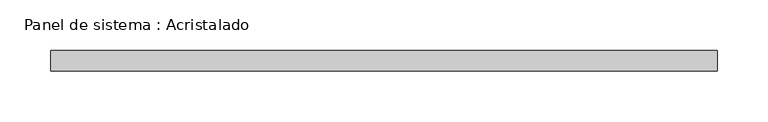
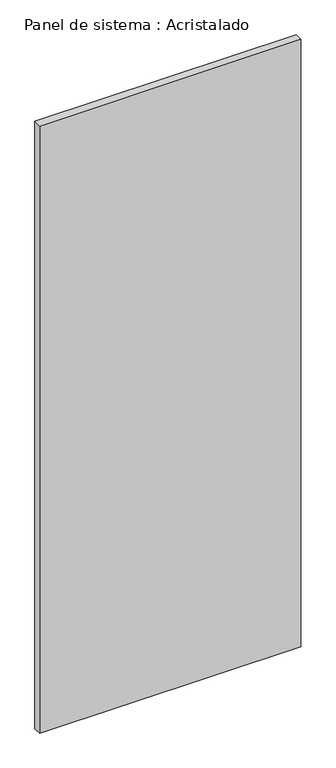
"""IFC4 building model written with IfcOpenShell, lengths in millimetres: plate geometry, Panel de sistema : Acristalado."""

import ifcopenshell
import ifcopenshell.guid

model = None  # the IFC model being written
_history = None  # IfcOwnerHistory: only IFC2X3 demands one
_inside = {}  # id of a spatial element -> (the spatial element, [elements in it])
_under = {}  # id of a project, library or spatial element -> (it, [spatial elements below it])
_declared = {}  # id of a project -> (the project, [libraries it declares])
_typed = {}  # id of a type object -> (the type object, [elements of that type])
_made_of = {}  # id of a material, layer set ... -> (it, [elements and type objects made of it])


def new_model(schema):
    """Start an empty IFC model of exactly this schema.

    Asked for "IFC4X3", IfcOpenShell would pick the latest addendum, in which some entities
    have other attributes; the version numbers below select the first issue.
    IFC2X3 requires an IfcOwnerHistory on every rooted entity: one is made here for all.
    """
    global model, _history
    if schema == "IFC4X3":
        model = ifcopenshell.file(schema_version=(4, 3, 0, 0))
    else:
        model = ifcopenshell.file(schema=schema)
    _inside.clear()
    _under.clear()
    _declared.clear()
    _typed.clear()
    _made_of.clear()
    _history = None
    if model.schema == "IFC2X3":
        org = make("IfcOrganization", Name="unknown")
        user = make(
            "IfcPersonAndOrganization",
            ThePerson=make("IfcPerson", FamilyName="unknown"),
            TheOrganization=org,
        )
        app = make(
            "IfcApplication",
            ApplicationDeveloper=org,
            Version="unknown",
            ApplicationFullName="unknown",
            ApplicationIdentifier="unknown",
        )
        _history = make(
            "IfcOwnerHistory",
            OwningUser=user,
            OwningApplication=app,
            ChangeAction="ADDED",
            CreationDate=0,
        )
    return model


def make(cls, **values):
    """One entity of the class cls with the attributes given. An attribute that is None is left unset."""
    return model.create_entity(
        cls, **{name: value for name, value in values.items() if value is not None}
    )


def rooted(cls, **values):
    """An entity with a GlobalId (a new one), such as an element, a storey or a relation."""
    return make(cls, GlobalId=ifcopenshell.guid.new(), OwnerHistory=_history, **values)


def si_unit(unit_type, name, prefix=None):
    """IfcSIUnit, for example si_unit("LENGTHUNIT", "METRE", prefix="MILLI")."""
    return make("IfcSIUnit", UnitType=unit_type, Prefix=prefix, Name=name)


def assignment(units):
    """IfcUnitAssignment: the units of a project."""
    return None if units is None else make("IfcUnitAssignment", Units=units)


def point(xyz):
    """IfcCartesianPoint."""
    return None if xyz is None else make("IfcCartesianPoint", Coordinates=xyz)


def direction(xyz):
    """IfcDirection."""
    return None if xyz is None else make("IfcDirection", DirectionRatios=xyz)


def frame(location, z_axis=None, x_axis=None):
    """IfcAxis2Placement3D, a coordinate frame: its origin and axes. An axis left out is left unset."""
    return make(
        "IfcAxis2Placement3D",
        Location=point(location),
        Axis=direction(z_axis),
        RefDirection=direction(x_axis),
    )


def origin():
    """The frame at (0, 0, 0) with its axes left unset."""
    return frame((0.0, 0.0, 0.0))


def origin_with_axes():
    """The frame at (0, 0, 0) with the z axis (0, 0, 1) and the x axis (1, 0, 0) written out."""
    return frame((0.0, 0.0, 0.0), z_axis=(0.0, 0.0, 1.0), x_axis=(1.0, 0.0, 0.0))


def place(relative_to, where):
    """IfcLocalPlacement: puts the frame where relative to a parent placement (None: the world)."""
    return make(
        "IfcLocalPlacement", PlacementRelTo=relative_to, RelativePlacement=where
    )


def context(
    kind, dimensions, precision=None, world=None, true_north=None, identifier=None
):
    """IfcGeometricRepresentationContext, for example the 3D "Model" context."""
    return make(
        "IfcGeometricRepresentationContext",
        ContextIdentifier=identifier,
        ContextType=kind,
        CoordinateSpaceDimension=dimensions,
        Precision=precision,
        WorldCoordinateSystem=world,
        TrueNorth=true_north,
    )


def project(units=None, contexts=None):
    """IfcProject with its units and contexts."""
    return rooted(
        "IfcProject",
        Name="project",
        RepresentationContexts=contexts,
        UnitsInContext=assignment(units),
    )


def spatial(cls, under=None, at=None, **own):
    """A site, building, storey or space (cls), placed at a placement, below another one or the project."""
    s = rooted(cls, ObjectPlacement=at, **own)
    if under is not None:
        _under.setdefault(under.id(), (under, []))[1].append(s)
    return s


def polyline(points):
    """IfcPolyline through the points."""
    return make("IfcPolyline", Points=[point(p) for p in points])


def outline(outer, holes=None, kind="AREA"):
    """IfcArbitraryClosedProfileDef: a profile drawn as a closed curve; with holes, ...WithVoids."""
    if holes is None:
        return make("IfcArbitraryClosedProfileDef", ProfileType=kind, OuterCurve=outer)
    return make(
        "IfcArbitraryProfileDefWithVoids",
        ProfileType=kind,
        OuterCurve=outer,
        InnerCurves=holes,
    )


def extrude(swept, where, along, depth):
    """IfcExtrudedAreaSolid: the profile swept, set in the frame where, extruded along a direction by depth."""
    return make(
        "IfcExtrudedAreaSolid",
        SweptArea=swept,
        Position=where,
        ExtrudedDirection=direction(along),
        Depth=depth,
    )


def shape(context_of_items, identifier, shape_type, items):
    """IfcShapeRepresentation: the items that make up one representation, for example the "Body"."""
    return make(
        "IfcShapeRepresentation",
        ContextOfItems=context_of_items,
        RepresentationIdentifier=identifier,
        RepresentationType=shape_type,
        Items=items,
    )


def source(mapping_origin, context_of_items, identifier, shape_type, items):
    """IfcRepresentationMap: a shape defined once, which mapped items show again and again."""
    return make(
        "IfcRepresentationMap",
        MappingOrigin=mapping_origin,
        MappedRepresentation=shape(context_of_items, identifier, shape_type, items),
    )


def transform(
    local_origin,
    x_axis=None,
    y_axis=None,
    z_axis=None,
    scale=None,
    scale2=None,
    scale3=None,
    uniform=True,
):
    """IfcCartesianTransformationOperator3D, or its non-uniform kind. x_axis, y_axis, z_axis: its Axis1, 2, 3."""
    if uniform:
        return make(
            "IfcCartesianTransformationOperator3D",
            Axis1=direction(x_axis),
            Axis2=direction(y_axis),
            LocalOrigin=point(local_origin),
            Scale=scale,
            Axis3=direction(z_axis),
        )
    return make(
        "IfcCartesianTransformationOperator3DnonUniform",
        Axis1=direction(x_axis),
        Axis2=direction(y_axis),
        LocalOrigin=point(local_origin),
        Scale=scale,
        Axis3=direction(z_axis),
        Scale2=scale2,
        Scale3=scale3,
    )


def mapped(mapping_source, mapping_target):
    """IfcMappedItem: shows the shape of a source again, moved by a transform."""
    return make(
        "IfcMappedItem", MappingSource=mapping_source, MappingTarget=mapping_target
    )


def made_of(thing, what):
    """Note that an element or type object is made of a material, layer set ...; save() writes the relation."""
    if what is not None:
        _made_of.setdefault(what.id(), (what, []))[1].append(thing)
    return thing


def element(
    cls,
    number,
    at=None,
    inside=None,
    cuts=None,
    type_object=None,
    material=None,
    context=None,
    identifier="Body",
    shape_type=None,
    held_by="IfcProductDefinitionShape",
    body=None,
    shapes=None,
    **own,
):
    """One element of the class cls, such as IfcWall. Its Tag is "e" and its number.

    at: its placement. inside: the storey or other place that contains it. cuts: it is an
    opening in that element (IfcRelVoidsElement). A single representation is given by context,
    identifier, shape_type and body (its items); several are given by shapes. held_by: the class
    of the entity that holds the representations. save() writes the other relations.
    """
    e = rooted(cls, Tag="e%d" % number, ObjectPlacement=at, **own)
    if body is not None:
        shapes = [shape(context, identifier, shape_type, body)]
    if shapes is not None:
        e.Representation = make(held_by, Representations=shapes)
    if inside is not None:
        _inside.setdefault(inside.id(), (inside, []))[1].append(e)
    if cuts is not None:
        rooted(
            "IfcRelVoidsElement", RelatingBuildingElement=cuts, RelatedOpeningElement=e
        )
    if type_object is not None:
        _typed.setdefault(type_object.id(), (type_object, []))[1].append(e)
    return made_of(e, material)


def aggregate(whole, parts):
    """IfcRelAggregates: a whole, such as a stair, and the parts it consists of."""
    return rooted("IfcRelAggregates", RelatingObject=whole, RelatedObjects=parts)


def save(model, path):
    """Write the relations noted so far, then the file.

    IfcRelAggregates (storeys below a building ...), IfcRelContainedInSpatialStructure (elements
    in a storey), IfcRelDefinesByType, IfcRelAssociatesMaterial and IfcRelDeclares: one each for
    every whole, place, type object, material and project.
    """
    for whole, parts in _under.values():
        aggregate(whole, parts)
    for where, things in _inside.values():
        rooted(
            "IfcRelContainedInSpatialStructure",
            RelatedElements=things,
            RelatingStructure=where,
        )
    for kind, things in _typed.values():
        rooted("IfcRelDefinesByType", RelatedObjects=things, RelatingType=kind)
    for what, things in _made_of.values():
        rooted("IfcRelAssociatesMaterial", RelatedObjects=things, RelatingMaterial=what)
    for by, libraries in _declared.values():
        rooted("IfcRelDeclares", RelatingContext=by, RelatedDefinitions=libraries)
    model.write(path)


def panel_de_sistema_acristalado_bb416c5e(model_context):
    return source(origin(), model_context, "Body", "SweptSolid", [
        extrude(outline(polyline([(328.0, -10.0), (-328.0, -10.0), (-328.0, 10.0), (328.0, 10.0), (328.0, -10.0)])), origin_with_axes(), (0.0, 0.0, 1.0), 1610.8718726),
    ])


if __name__ == "__main__":
    model = new_model("IFC4")
    model_context = context("Model", 3, world=origin())
    ifc_project = project(units=[si_unit("LENGTHUNIT", "METRE", prefix="MILLI")], contexts=[model_context])
    site = spatial("IfcSite", under=ifc_project)
    building = spatial("IfcBuilding", under=site)
    placement = place(None, origin())
    panel_de_sistema_acristalado_shape = panel_de_sistema_acristalado_bb416c5e(model_context)
    element("IfcPlate", 1, ObjectType="Panel de sistema : Acristalado", at=placement, inside=building, context=model_context, shape_type="MappedRepresentation", body=[
        mapped(panel_de_sistema_acristalado_shape, transform((0.0, 0.0, 0.0), x_axis=(1.0, 0.0, 0.0), y_axis=(0.0, 1.0, 0.0), z_axis=(0.0, 0.0, 1.0))),
    ])
    save(model, "model.ifc")
